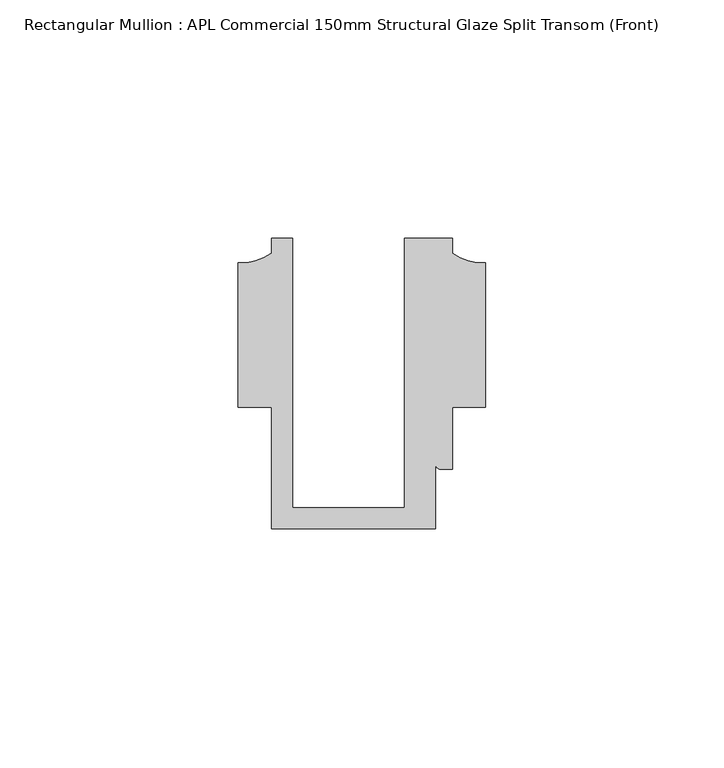
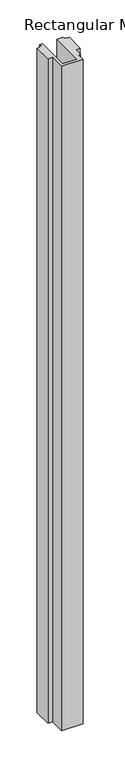
"""IFC4 building model written with IfcOpenShell, lengths in millimetres: member geometry, Rectangular Mullion : APL Commercial 150mm Structural Glaze Split Transom (Front)."""

from ifc_helpers import new_model, si_unit, point, frame, frame_2d, origin, place, context, project, spatial, polyline, circle_curve, trimmed, segment, composite_curve, outline, extrude, source, transform, mapped, element, save


def rectangular_mullion_apl_commercial_150mm_structural_glaze_b64992a9(model_context):
    return source(origin(), model_context, "Body", "SweptSolid", [
        extrude(outline(composite_curve([segment(polyline([(-23.5949354, 20.5), (-23.5949354, -36.1008577), (0.0, -36.1008577), (0.0, 20.5), (10.0000029, 20.5), (10.0000029, 17.3121423)]), True, "CONTINUOUS"), segment(trimmed(circle_curve(frame_2d((16.1098048, 25.7978024)), 10.4563907), [point((10.0000029, 17.3121423))], [point((16.999942, 15.3793686))], True, "CARTESIAN"), True, "CONTINUOUS"), segment(polyline([(16.999942, 15.3793686), (16.999942, -15.0004617), (10.0000029, -15.0004617), (10.0000029, -28.0002131), (7.5000029, -28.0002131)]), True, "CONTINUOUS"), segment(trimmed(circle_curve(frame_2d((7.5000029, -27.0002131)), 1.0), [point((7.5000029, -28.0002131))], [point((6.5000029, -27.0002131))], False, "CARTESIAN"), True, "CONTINUOUS"), segment(polyline([(6.5000029, -27.0002131), (6.5000029, -40.499932), (-28.0000482, -40.499932), (-28.0000482, -15.001276), (-34.9999873, -15.001276), (-34.9999873, 15.3795682)]), True, "CONTINUOUS"), segment(trimmed(circle_curve(frame_2d((-34.10985, 25.7980019)), 10.4563907), [point((-34.9999873, 15.3795682))], [point((-28.0000482, 17.3123419))], True, "CARTESIAN"), True, "CONTINUOUS"), segment(polyline([(-28.0000482, 17.3123419), (-28.0000482, 20.5), (-23.5949354, 20.5)]), True, "CONTINUOUS")], self_intersect=False)), frame((0.0, 0.0, -1137.6386138), z_axis=(0.0, 0.0, 1.0), x_axis=(1.0, 0.0, 0.0)), (0.0, 0.0, 1.0), 1137.6386138),
    ])


if __name__ == "__main__":
    model = new_model("IFC4")
    model_context = context("Model", 3, world=origin())
    ifc_project = project(units=[si_unit("LENGTHUNIT", "METRE", prefix="MILLI")], contexts=[model_context])
    site = spatial("IfcSite", under=ifc_project)
    building = spatial("IfcBuilding", under=site)
    placement = place(None, origin())
    rectangular_mullion_apl_commercial_150mm_structural_glaze_shape = rectangular_mullion_apl_commercial_150mm_structural_glaze_b64992a9(model_context)
    element("IfcMember", 1, ObjectType="Rectangular Mullion : APL Commercial 150mm Structural Glaze Split Transom (Front)", at=placement, inside=building, context=model_context, shape_type="MappedRepresentation", body=[
        mapped(rectangular_mullion_apl_commercial_150mm_structural_glaze_shape, transform((0.0, 0.0, 0.0), x_axis=(1.0, 0.0, 0.0), y_axis=(0.0, 1.0, 0.0), z_axis=(0.0, 0.0, 1.0))),
    ])
    save(model, "model.ifc")
